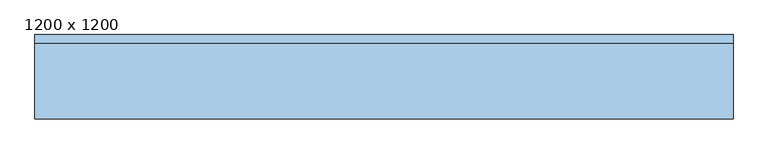
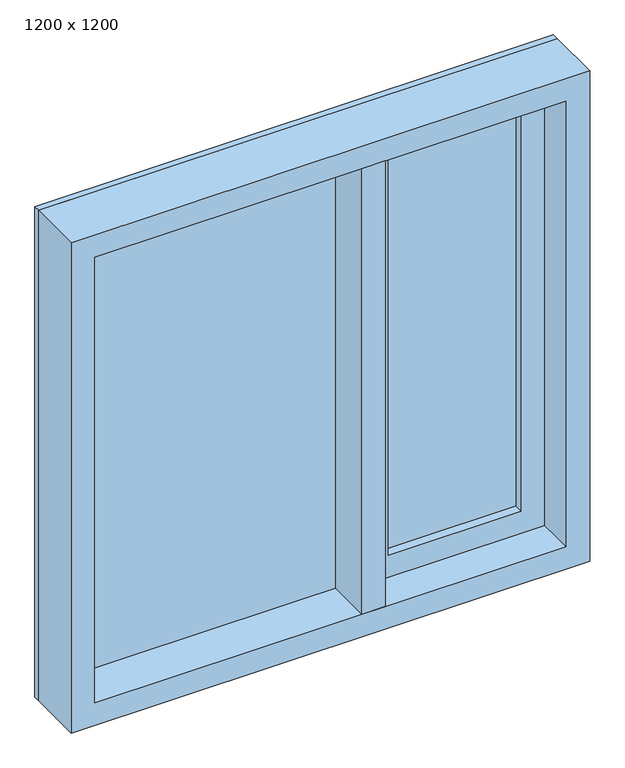
"""IFC4 building model written with IfcOpenShell, lengths in millimetres: window geometry, 1200 x 1200."""

from ifc_helpers import new_model, si_unit, frame, origin, place, context, project, spatial, polyline, outline, extrude, source, transform, mapped, element, save


def window_1200_x_1200_3c81c2fc(model_context):
    return source(origin(), model_context, "Body", "SweptSolid", [
        extrude(outline(polyline([(252.5, 67.0710154), (252.5, -53.0), (197.5, -53.0), (197.5, 67.0710154), (252.5, 67.0710154)])), frame((0.0, 0.0, 855.0), z_axis=(0.0, 0.0, 1.0), x_axis=(1.0, 0.0, 0.0)), (0.0, 0.0, 1.0), 1090.0),
        extrude(outline(polyline([(197.5, 92.0), (252.5, 92.0), (252.5, 67.0710154), (197.5, 67.0710154), (197.5, 92.0)])), frame((0.0, 0.0, 855.0), z_axis=(0.0, 0.0, 1.0), x_axis=(1.0, 0.0, 0.0)), (0.0, 0.0, 1.0), 1090.0),
        extrude(outline(polyline([(800.0, -475.0), (800.0, 725.0), (2000.0, 725.0), (2000.0, -475.0), (800.0, -475.0)]), holes=[polyline([(1945.0, -420.0), (1945.0, 670.0), (855.0, 670.0), (855.0, -420.0), (1945.0, -420.0)])]), frame((0.0, -53.0, 0.0), z_axis=(0.0, 1.0, 0.0), x_axis=(0.0, 0.0, 1.0)), (0.0, 0.0, 1.0), 130.0),
        extrude(outline(polyline([(800.0, -475.0), (800.0, 725.0), (2000.0, 725.0), (2000.0, -475.0), (800.0, -475.0)]), holes=[polyline([(1945.0, -420.0), (1945.0, 670.0), (855.0, 670.0), (855.0, -420.0), (1945.0, -420.0)])]), frame((0.0, 77.0, 0.0), z_axis=(0.0, 1.0, 0.0), x_axis=(0.0, 0.0, 1.0)), (0.0, 0.0, 1.0), 15.0),
        extrude(outline(polyline([(855.0, 252.5), (855.0, 670.0), (1945.0, 670.0), (1945.0, 252.5), (855.0, 252.5)]), holes=[polyline([(1890.0, 307.5), (1890.0, 615.0), (910.0, 615.0), (910.0, 307.5), (1890.0, 307.5)])]), frame((0.0, 32.0, 0.0), z_axis=(0.0, 1.0, 0.0), x_axis=(0.0, 0.0, 1.0)), (0.0, 0.0, 1.0), 45.0),
        extrude(outline(polyline([(855.0, 252.5), (855.0, 670.0), (1945.0, 670.0), (1945.0, 252.5), (855.0, 252.5)]), holes=[polyline([(1890.0, 307.5), (1890.0, 615.0), (910.0, 615.0), (910.0, 307.5), (1890.0, 307.5)])]), frame((0.0, 77.0, 0.0), z_axis=(0.0, 1.0, 0.0), x_axis=(0.0, 0.0, 1.0)), (0.0, 0.0, 1.0), 15.0),
        extrude(outline(polyline([(670.0, 77.0), (670.0, 52.0710154), (252.5, 52.0710154), (252.5, 77.0), (670.0, 77.0)])), frame((0.0, 0.0, 855.0), z_axis=(0.0, 0.0, 1.0), x_axis=(1.0, 0.0, 0.0)), (0.0, 0.0, 1.0), 1090.0),
        extrude(outline(polyline([(197.5, 77.0), (197.5, 52.0710154), (-420.0, 52.0710154), (-420.0, 77.0), (197.5, 77.0)])), frame((0.0, 0.0, 855.0), z_axis=(0.0, 0.0, 1.0), x_axis=(1.0, 0.0, 0.0)), (0.0, 0.0, 1.0), 1090.0),
    ])


if __name__ == "__main__":
    model = new_model("IFC4")
    model_context = context("Model", 3, world=origin())
    ifc_project = project(units=[si_unit("LENGTHUNIT", "METRE", prefix="MILLI")], contexts=[model_context])
    site = spatial("IfcSite", under=ifc_project)
    building = spatial("IfcBuilding", under=site)
    placement = place(None, origin())
    window_1200_x_1200_shape = window_1200_x_1200_3c81c2fc(model_context)
    element("IfcWindow", 1, ObjectType="1200 x 1200", at=placement, inside=building, context=model_context, shape_type="MappedRepresentation", body=[
        mapped(window_1200_x_1200_shape, transform((0.0, 0.0, 0.0), x_axis=(1.0, 0.0, 0.0), y_axis=(0.0, 1.0, 0.0), z_axis=(0.0, 0.0, 1.0))),
    ])
    save(model, "model.ifc")
